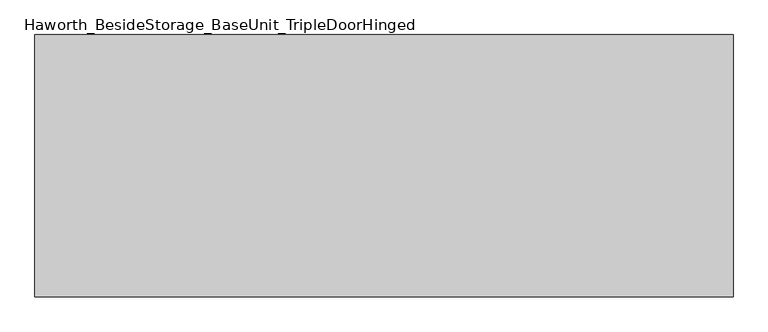
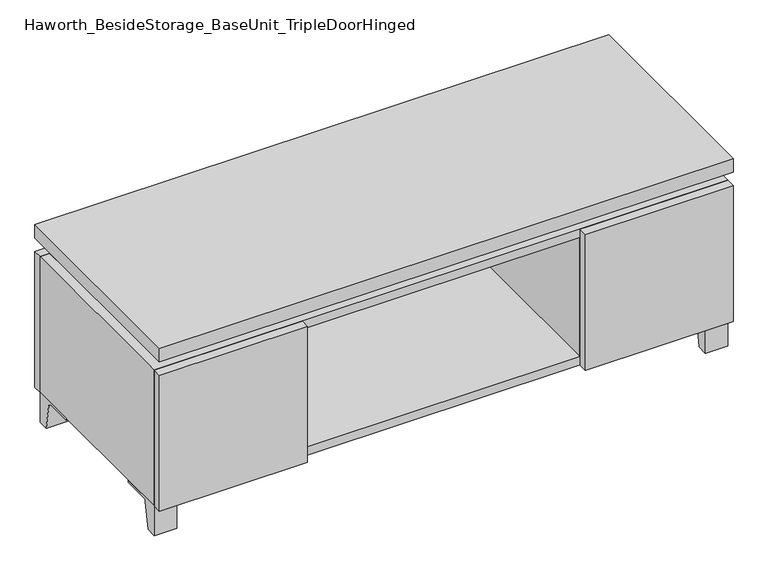
"""IFC4 building model written with IfcOpenShell, lengths in millimetres: furniture geometry, Haworth_BesideStorage_BaseUnit_TripleDoorHinged."""

from ifc_helpers import new_model, si_unit, point, frame, frame_2d, origin, place, context, project, spatial, polyline, circle_curve, trimmed, segment, composite_curve, outline, extrude, faceted_brep, source, transform, mapped, element, save


def haworth_besidestorage_baseunit_tripledoorhinged_2c5e11c0(model_context):
    return source(origin(), model_context, "Body", "SolidModel", [
        extrude(outline(composite_curve([segment(polyline([(38.6291531, 0.0), (15.875, 0.0), (15.875, 66.675), (111.125, 66.675), (111.125, 61.8963321), (54.3244655, 61.8963321)]), True, "CONTINUOUS"), segment(trimmed(circle_curve(frame_2d((54.3244655, 55.5463321)), 6.35), [point((54.3244655, 61.8963321))], [point((48.0608641, 56.5902656))], True, "CARTESIAN"), True, "CONTINUOUS"), segment(polyline([(48.0608641, 56.5902656), (38.6291531, 0.0)]), True, "CONTINUOUS")], self_intersect=False)), frame((-23.7986094, 0.0, 0.0), z_axis=(1.0, 0.0, 0.0), x_axis=(0.0, 1.0, 0.0)), (0.0, 0.0, 1.0), 47.625),
        extrude(outline(composite_curve([segment(polyline([(-129.6458469, 0.0), (-152.4, 0.0), (-152.4, 66.675), (-57.15, 66.675), (-57.15, 61.8963321), (-113.9505345, 61.8963321)]), True, "CONTINUOUS"), segment(trimmed(circle_curve(frame_2d((-113.9505345, 55.5463321)), 6.35), [point((-113.9505345, 61.8963321))], [point((-120.2141359, 56.5902656))], True, "CARTESIAN"), True, "CONTINUOUS"), segment(polyline([(-120.2141359, 56.5902656), (-129.6458469, 0.0)]), True, "CONTINUOUS")], self_intersect=False)), frame((560.4013906, 0.0, 0.0), z_axis=(1.0, 0.0, 0.0), x_axis=(0.0, 1.0, 0.0)), (0.0, 0.0, 1.0), 47.625),
        extrude(outline(composite_curve([segment(polyline([(243.9458469, 0.0), (234.5141359, 56.5902656)]), True, "CONTINUOUS"), segment(trimmed(circle_curve(frame_2d((228.2505345, 55.5463321)), 6.35), [point((234.5141359, 56.5902656))], [point((228.2505345, 61.8963321))], True, "CARTESIAN"), True, "CONTINUOUS"), segment(polyline([(228.2505345, 61.8963321), (171.45, 61.8963321), (171.45, 66.675), (266.7, 66.675), (266.7, 0.0), (243.9458469, 0.0)]), True, "CONTINUOUS")], self_intersect=False)), frame((560.4013906, 0.0, 0.0), z_axis=(1.0, 0.0, 0.0), x_axis=(0.0, 1.0, 0.0)), (0.0, 0.0, 1.0), 47.625),
        extrude(outline(composite_curve([segment(polyline([(-129.6458469, 0.0), (-152.4, 0.0), (-152.4, 66.675), (-57.15, 66.675), (-57.15, 61.8963321), (-113.9505345, 61.8963321)]), True, "CONTINUOUS"), segment(trimmed(circle_curve(frame_2d((-113.9505345, 55.5463321)), 6.35), [point((-113.9505345, 61.8963321))], [point((-120.2141359, 56.5902656))], True, "CARTESIAN"), True, "CONTINUOUS"), segment(polyline([(-120.2141359, 56.5902656), (-129.6458469, 0.0)]), True, "CONTINUOUS")], self_intersect=False)), frame((-607.9986094, 0.0, 0.0), z_axis=(1.0, 0.0, 0.0), x_axis=(0.0, 1.0, 0.0)), (0.0, 0.0, 1.0), 47.625),
        extrude(outline(composite_curve([segment(polyline([(243.9458469, 0.0), (234.5141359, 56.5902656)]), True, "CONTINUOUS"), segment(trimmed(circle_curve(frame_2d((228.2505345, 55.5463321)), 6.35), [point((234.5141359, 56.5902656))], [point((228.2505345, 61.8963321))], True, "CARTESIAN"), True, "CONTINUOUS"), segment(polyline([(228.2505345, 61.8963321), (171.45, 61.8963321), (171.45, 66.675), (266.7, 66.675), (266.7, 0.0), (243.9458469, 0.0)]), True, "CONTINUOUS")], self_intersect=False)), frame((-607.9986094, 0.0, 0.0), z_axis=(1.0, 0.0, 0.0), x_axis=(0.0, 1.0, 0.0)), (0.0, 0.0, 1.0), 47.625),
        faceted_brep([(-607.9986094, -152.4, 66.675), (608.0125, -152.4, 66.675), (608.0125, -152.4, 371.475), (-607.9986094, -152.4, 371.475), (-588.9486094, -152.4, 85.725), (-588.9486094, -152.4, 352.425), (588.9694453, -152.4, 352.425), (588.9486094, -152.4, 85.725), (-607.9986094, 266.7, 66.675), (-607.9986094, 266.7, 371.475), (-588.9486094, 266.7, 371.475), (-588.9486094, 266.7, 85.725), (588.9486094, 266.7, 85.725), (588.9486094, 266.7, 371.475), (608.0125, 266.7, 371.475), (608.0125, 266.7, 66.675), (588.9486094, 241.3, 371.475), (-588.9416641, 241.3, 371.475), (-588.9486094, 241.3, 352.425), (588.9486094, 241.3, 352.425)], [[[0, 1, 2, 3], [4, 5, 6, 7]], [[8, 9, 10, 11, 12, 13, 14, 15]], [[1, 0, 8, 15]], [[2, 1, 15, 14]], [[3, 2, 14, 13, 16, 17, 10, 9]], [[0, 3, 9, 8]], [[11, 10, 17, 18, 5, 4]], [[13, 12, 7, 6, 19, 16]], [[4, 7, 12, 11]], [[6, 5, 18, 19]], [[17, 16, 19, 18]]]),
        extrude(outline(polyline([(608.0263906, -171.45), (-607.9986094, -171.45), (-607.9986094, 285.75), (608.0263906, 285.75), (608.0263906, -171.45)])), frame((0.0, 0.0, 401.6375), z_axis=(0.0, 0.0, 1.0), x_axis=(1.0, 0.0, 0.0)), (0.0, 0.0, 1.0), 30.1625),
        faceted_brep([(7.9513906, -76.2, 401.6375), (7.9513906, -76.2, 371.475), (7.9513906, 47.625, 371.475), (7.9513906, 47.625, 401.6375), (7.9513906, 190.5, 371.475), (7.9513906, 190.5, 401.6375), (7.9513906, 66.675, 401.6375), (7.9513906, 66.675, 371.475), (-7.9236094, 190.5, 401.6375), (-7.9236094, 190.5, 371.475), (-7.9236094, 66.675, 371.475), (-7.9236094, 66.675, 401.6375), (-7.9236094, -76.2, 371.475), (-7.9236094, -76.2, 401.6375), (-7.9236094, 47.625, 401.6375), (-7.9236094, 47.625, 371.475), (-566.6958281, 66.675, 401.6375), (-566.7166641, 241.3, 401.6375), (-582.5916641, 241.3, 401.6375), (-582.5916641, -127.0, 401.6375), (-566.7166641, -127.0, 401.6375), (-566.7166641, 47.625, 401.6375), (566.7236094, 47.625, 401.6375), (566.7236094, -127.0, 401.6375), (582.5986094, -127.0, 401.6375), (582.5986094, 241.3, 401.6375), (566.7236094, 241.3, 401.6375), (566.7236094, 66.675, 401.6375), (-566.6958281, 47.625, 371.475), (-566.7166641, -127.0, 371.475), (-582.5916641, -127.0, 371.475), (-582.5916641, 241.3, 371.475), (-566.7166641, 241.3, 371.475), (-566.7166641, 66.675, 371.475), (566.7236094, 66.675, 371.475), (566.7236094, 241.3, 371.475), (582.5986094, 241.3, 371.475), (582.5986094, -127.0, 371.475), (566.7236094, -127.0, 371.475), (566.7236094, 47.625, 371.475)], [[[0, 1, 2, 3]], [[4, 5, 6, 7]], [[8, 9, 10, 11]], [[12, 13, 14, 15]], [[5, 8, 11, 16, 17, 18, 19, 20, 21, 14, 13, 0, 3, 22, 23, 24, 25, 26, 27, 6]], [[1, 12, 15, 28, 29, 30, 31, 32, 33, 10, 9, 4, 7, 34, 35, 36, 37, 38, 39, 2]], [[5, 4, 9, 8]], [[1, 0, 13, 12]], [[6, 27, 34, 7]], [[22, 3, 2, 39]], [[20, 29, 28, 21]], [[32, 17, 16, 33]], [[18, 31, 30, 19]], [[29, 20, 19, 30]], [[17, 32, 31, 18]], [[26, 35, 34, 27]], [[38, 23, 22, 39]], [[25, 24, 37, 36]], [[23, 38, 37, 24]], [[35, 26, 25, 36]], [[16, 11, 10, 33]], [[14, 21, 28, 15]]]),
        extrude(outline(polyline([(608.0263906, 266.7), (-607.9986094, 266.7), (-607.9986094, 285.75), (608.0263906, 285.75), (608.0263906, 266.7)])), frame((0.0, 0.0, 66.675), z_axis=(0.0, 0.0, 1.0), x_axis=(1.0, 0.0, 0.0)), (0.0, 0.0, 1.0), 304.8),
        extrude(outline(polyline([(-588.9416641, 196.85), (-588.9416641, 203.2), (588.9694453, 203.2), (588.9694453, 196.85), (-588.9416641, 196.85)])), frame((0.0, 0.0, 85.725), z_axis=(0.0, 0.0, 1.0), x_axis=(1.0, 0.0, 0.0)), (0.0, 0.0, 1.0), 266.7),
        extrude(outline(polyline([(294.4951406, -171.45), (294.4951406, -152.4), (608.0263906, -152.4), (608.0263906, -171.45), (294.4951406, -171.45)])), frame((0.0, 0.0, 66.675), z_axis=(0.0, 0.0, 1.0), x_axis=(1.0, 0.0, 0.0)), (0.0, 0.0, 1.0), 304.8),
        extrude(outline(polyline([(-294.4673594, -171.45), (-607.9986094, -171.45), (-607.9986094, -152.4), (-294.4673594, -152.4), (-294.4673594, -171.45)])), frame((0.0, 0.0, 66.675), z_axis=(0.0, 0.0, 1.0), x_axis=(1.0, 0.0, 0.0)), (0.0, 0.0, 1.0), 304.8),
        extrude(outline(polyline([(294.4951406, 196.85), (313.5451406, 196.85), (313.5451406, -152.4), (294.4951406, -152.4), (294.4951406, 196.85)])), frame((0.0, 0.0, 85.725), z_axis=(0.0, 0.0, 1.0), x_axis=(1.0, 0.0, 0.0)), (0.0, 0.0, 1.0), 266.7),
        extrude(outline(polyline([(-313.5173594, 196.85), (-294.4673594, 196.85), (-294.4673594, -152.4), (-313.5173594, -152.4), (-313.5173594, 196.85)])), frame((0.0, 0.0, 85.725), z_axis=(0.0, 0.0, 1.0), x_axis=(1.0, 0.0, 0.0)), (0.0, 0.0, 1.0), 266.7),
    ])


if __name__ == "__main__":
    model = new_model("IFC4")
    model_context = context("Model", 3, world=origin())
    ifc_project = project(units=[si_unit("LENGTHUNIT", "METRE", prefix="MILLI")], contexts=[model_context])
    site = spatial("IfcSite", under=ifc_project)
    building = spatial("IfcBuilding", under=site)
    placement = place(None, origin())
    haworth_besidestorage_baseunit_tripledoorhinged_shape = haworth_besidestorage_baseunit_tripledoorhinged_2c5e11c0(model_context)
    element("IfcFurniture", 1, ObjectType="Haworth_BesideStorage_BaseUnit_TripleDoorHinged", at=placement, inside=building, context=model_context, shape_type="MappedRepresentation", body=[
        mapped(haworth_besidestorage_baseunit_tripledoorhinged_shape, transform((0.0, 0.0, 0.0), x_axis=(1.0, 0.0, 0.0), y_axis=(0.0, 1.0, 0.0), z_axis=(0.0, 0.0, 1.0))),
    ])
    save(model, "model.ifc")
